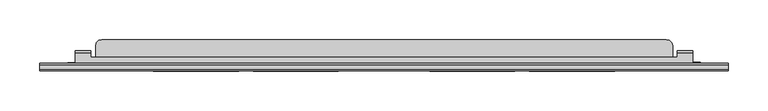
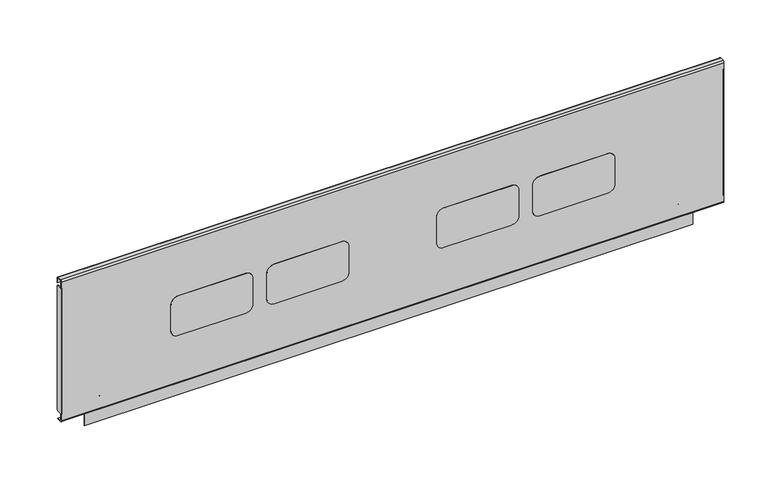
"""IFC4 building model written with IfcOpenShell, lengths in millimetres: furniture geometry."""

from ifc_helpers import new_model, si_unit, point, frame, frame_2d, origin, place, context, project, spatial, polyline, circle_curve, trimmed, segment, composite_curve, outline, extrude, source, transform, mapped, element, save
from ifc_brep_helpers import plane_surface, cylinder_surface, revolved_surface, advanced_brep


def furniture_425b233b(model_context):
    return source(origin(), model_context, "Body", "SolidModel", [
        advanced_brep(
        [(848.0385851, -189.0734003, 484.7619804), (848.0385851, -188.2141807, 484.7619804), (848.0385851, -188.2141807, 502.7217435), (848.0385851, -190.2544323, 504.7619951), (848.0385851, -205.2802599, 504.7619951), (848.0385851, -205.2802599, 503.9524031), (848.0385851, -190.6453154, 503.9524031), (848.0385851, -189.0734003, 502.380488), (66.3614013, -189.0734003, 484.7619804), (66.3614013, -189.0734003, 502.380488), (66.3614013, -190.6453154, 503.9524031), (66.3614013, -205.2802599, 503.9524031), (66.3614013, -205.2802599, 504.7619951), (66.3614013, -190.2544323, 504.7619951), (66.3614013, -188.2141807, 502.7217435), (66.3614013, -188.2141807, 484.7619804), (828.0385704, -189.0734003, 484.7619804), (828.0385704, -188.2141807, 484.7619804), (86.3614023, -188.2141807, 484.7619804), (86.3614023, -189.0734003, 484.7619804), (828.0385704, -188.2141807, 502.7217435), (86.3614023, -188.2141807, 502.7217435), (828.0385704, -190.2544323, 504.7619951), (86.3614023, -190.2544323, 504.7619951), (828.0385704, -196.3134, 504.7619951), (86.3614023, -196.3134, 504.7619951), (86.3614023, -190.6453154, 503.9524031), (86.3614023, -196.3134, 503.9524031), (828.0385704, -196.3134, 503.9524031), (828.0385704, -190.6453154, 503.9524031), (828.0385704, -189.0734003, 502.380488), (86.3614023, -189.0734003, 502.380488)],
        [
            (0, 1),
            (1, 2),
            (2, 3, circle_curve(frame((848.0385851, -190.2544323, 502.7217435), z_axis=(1.0, 0.0, 0.0), x_axis=(0.0, 1.0, 0.0)), 2.0402516)),
            (3, 4),
            (4, 5),
            (5, 6),
            (6, 7, circle_curve(frame((848.0385851, -190.6453154, 502.380488), z_axis=(-1.0, 0.0, 0.0), x_axis=(0.0, 1.0, 0.0)), 1.571915)),
            (7, 0),
            (8, 9),
            (9, 10, circle_curve(frame((66.3614013, -190.6453154, 502.380488), z_axis=(1.0, 0.0, 0.0), x_axis=(0.0, 1.0, 0.0)), 1.571915)),
            (10, 11),
            (11, 12),
            (12, 13),
            (13, 14, circle_curve(frame((66.3614013, -190.2544323, 502.7217435), z_axis=(-1.0, 0.0, 0.0), x_axis=(0.0, 1.0, 0.0)), 2.0402516)),
            (14, 15),
            (15, 8),
            (0, 16),
            (16, 17),
            (17, 1),
            (15, 18),
            (18, 19),
            (19, 8),
            (17, 20),
            (20, 2),
            (14, 21),
            (21, 18),
            (20, 22, circle_curve(frame((828.0385704, -190.2544323, 502.7217435), z_axis=(1.0, 0.0, 0.0), x_axis=(0.0, 1.0, 0.0)), 2.0402516)),
            (22, 3),
            (13, 23),
            (23, 21, circle_curve(frame((86.3614023, -190.2544323, 502.7217435), z_axis=(-1.0, 0.0, 0.0), x_axis=(0.0, 1.0, 0.0)), 2.0402516)),
            (22, 24),
            (24, 25),
            (25, 23),
            (12, 4),
            (11, 5),
            (10, 26),
            (26, 27),
            (27, 28),
            (28, 29),
            (29, 6),
            (29, 30, circle_curve(frame((828.0385704, -190.6453154, 502.380488), z_axis=(-1.0, 0.0, 0.0), x_axis=(0.0, 1.0, 0.0)), 1.571915)),
            (30, 7),
            (9, 31),
            (31, 26, circle_curve(frame((86.3614023, -190.6453154, 502.380488), z_axis=(1.0, 0.0, 0.0), x_axis=(0.0, 1.0, 0.0)), 1.571915)),
            (30, 16),
            (19, 31),
            (27, 25),
            (24, 28),
        ],
        [
            plane_surface(frame((848.0385851, -189.0734003, 484.7619804), z_axis=(1.0, 0.0, 0.0), x_axis=(0.0, 1.0, 0.0))),
            plane_surface(frame((66.3614013, -189.0734003, 484.7619804), z_axis=(-1.0, 0.0, 0.0), x_axis=(0.0, -1.0, 0.0))),
            plane_surface(frame((848.0385851, -189.0734003, 484.7619804), z_axis=(0.0, 0.0, -1.0), x_axis=(-1.0, 0.0, 0.0))),
            plane_surface(frame((848.0385851, -188.2141807, 484.7619804), z_axis=(0.0, 1.0, 0.0), x_axis=(-1.0, 0.0, 0.0))),
            cylinder_surface(frame((66.3614013, -190.2544323, 502.7217435), z_axis=(1.0, 0.0, 0.0), x_axis=(0.0, 1.0, 0.0)), 2.0402516),
            plane_surface(frame((848.0385851, -190.2544323, 504.7619951), z_axis=(0.0, 0.0, 1.0), x_axis=(-1.0, 0.0, 0.0))),
            plane_surface(frame((848.0385851, -205.2802599, 504.7619951), z_axis=(0.0, -1.0, 0.0), x_axis=(-1.0, 0.0, 0.0))),
            plane_surface(frame((848.0385851, -205.2802599, 503.9524031), z_axis=(0.0, 0.0, -1.0), x_axis=(-1.0, 0.0, 0.0))),
            revolved_surface(polyline([(828.0385704, -189.0734004, 502.380488), (848.0385851, -189.0734004, 502.380488)]), (66.3614013, -190.6453154, 502.380488), (-1.0, 0.0, 0.0)),
            revolved_surface(polyline([(66.3614013, -189.0734004, 502.380488), (86.3614023, -189.0734004, 502.380488)]), (66.3614013, -190.6453154, 502.380488), (-1.0, 0.0, 0.0)),
            plane_surface(frame((848.0385851, -189.0734003, 502.380488), z_axis=(0.0, -1.0, 0.0), x_axis=(-1.0, 0.0, 0.0))),
            plane_surface(frame((86.3614023, -196.3134, 504.7619951), z_axis=(0.0, 1.0, 0.0), x_axis=(0.0, 0.0, -1.0))),
            plane_surface(frame((828.0385704, -196.3134, 504.7619951), z_axis=(-1.0, 0.0, 0.0), x_axis=(0.0, 0.0, -1.0))),
            plane_surface(frame((86.3614023, -188.2141807, 504.7619951), z_axis=(1.0, 0.0, 0.0), x_axis=(0.0, 0.0, -1.0))),
        ],
        [
            (0, [[1, 2, 3, 4, 5, 6, 7, 8]]),
            (1, [[9, 10, 11, 12, 13, 14, 15, 16]]),
            (2, [[-1, 17, 18, 19]]),
            (2, [[-16, 20, 21, 22]]),
            (3, [[-2, -19, 23, 24]]),
            (3, [[-15, 25, 26, -20]]),
            (4, [[-3, -24, 27, 28]]),
            (4, [[-14, 29, 30, -25]]),
            (5, [[-4, -28, 31, 32, 33, -29, -13, 34]]),
            (6, [[-5, -34, -12, 35]]),
            (7, [[-6, -35, -11, 36, 37, 38, 39, 40]]),
            (8, [[-7, -40, 41, 42]]),
            (9, [[-10, 43, 44, -36]]),
            (10, [[-8, -42, 45, -17]]),
            (10, [[-9, -22, 46, -43]]),
            (11, [[47, -32, 48, -38]]),
            (12, [[-48, -31, -27, -23, -18, -45, -41, -39]]),
            (13, [[-47, -37, -44, -46, -21, -26, -30, -33]]),
        ],
    ),
        advanced_brep(
        [(857.188608, -202.8234, 481.0000008), (857.188608, -202.8234, 499.2323507), (857.188608, -202.3166887, 500.0149173), (857.188608, -202.3166887, 500.9515261), (857.188608, -203.7334, 499.164291), (857.188608, -203.7334, 481.0000008), (57.1999969, -203.7334, 481.0000008), (57.1999969, -203.7334, 499.164291), (57.1999969, -203.20254, 500.4554821), (57.1999969, -203.20254, 481.0000008), (66.3614013, -202.8234, 481.0000008), (66.3614013, -202.8234, 499.2323507), (66.3614013, -201.9657451, 500.0900056), (846.0385846, -201.9657451, 500.0900056), (846.0385846, -202.3166887, 500.0149173), (92.2113995, -181.7333994, 500.0900056), (93.2832, -177.7334005, 500.0900056), (96.2114006, -174.8051976, 500.0900056), (100.2114018, -173.7333994, 500.0900056), (814.2721778, -173.7333994, 500.0900056), (818.2721789, -174.8051976, 500.0900056), (821.2003795, -177.7334005, 500.0900056), (822.27218, -181.7333994, 500.0900056), (822.27218, -196.3134, 500.0900056), (846.0385846, -196.3134, 500.0900056), (66.3614013, -196.3134, 500.0900056), (92.2113995, -196.3134, 500.0900056), (100.2114018, -173.7333994, 500.9999791), (814.2721778, -173.7333994, 500.9999791), (93.2832, -177.7334005, 500.9999791), (92.2113995, -181.7333994, 500.9999791), (92.2113995, -196.3134, 500.9999791), (66.3614013, -196.3134, 500.9999791), (66.3614013, -201.8977118, 500.9999791), (846.0385846, -201.8977118, 500.9999791), (846.0385846, -196.3134, 500.9999791), (822.27218, -196.3134, 500.9999791), (822.27218, -181.7333994, 500.9999791), (821.2003795, -177.7334005, 500.9999791), (818.2721789, -174.8051976, 500.9999791), (96.2114006, -174.8051976, 500.9999791), (846.0385846, -202.3166887, 500.9515261), (66.3614013, -203.20254, 500.4554821), (66.3614013, -203.20254, 481.0000008)],
        [
            (0, 1),
            (1, 2, circle_curve(frame((857.188608, -201.9657451, 499.2323507), z_axis=(-1.0, 0.0, 0.0), x_axis=(0.0, 1.0, 0.0)), 0.8576549)),
            (2, 3),
            (3, 4, circle_curve(frame((857.188608, -201.8977118, 499.164291), z_axis=(1.0, 0.0, 0.0), x_axis=(0.0, 1.0, 0.0)), 1.8356882)),
            (4, 5),
            (5, 0),
            (6, 7),
            (7, 8, circle_curve(frame((57.1999969, -201.8977118, 499.164291), z_axis=(-1.0, 0.0, 0.0), x_axis=(0.0, 1.0, 0.0)), 1.8356882)),
            (8, 9),
            (9, 6),
            (0, 10),
            (10, 11),
            (11, 1),
            (11, 12, circle_curve(frame((66.3614013, -201.9657451, 499.2323507), z_axis=(-1.0, 0.0, 0.0), x_axis=(0.0, 1.0, 0.0)), 0.8576549)),
            (12, 13),
            (13, 14, circle_curve(frame((846.0385846, -201.9657451, 499.2323507), z_axis=(1.0, 0.0, 0.0), x_axis=(0.0, 1.0, 0.0)), 0.8576549)),
            (14, 2),
            (15, 16),
            (16, 17),
            (17, 18),
            (18, 19),
            (19, 20),
            (20, 21),
            (21, 22),
            (22, 23),
            (23, 24),
            (24, 13),
            (12, 25),
            (25, 26),
            (26, 15),
            (18, 27),
            (27, 28),
            (28, 19),
            (29, 30),
            (30, 31),
            (31, 32),
            (32, 33),
            (33, 34),
            (34, 35),
            (35, 36),
            (36, 37),
            (37, 38),
            (38, 39),
            (39, 28),
            (27, 40),
            (40, 29),
            (7, 4),
            (3, 41),
            (41, 34, circle_curve(frame((846.0385846, -201.8977118, 499.164291), z_axis=(-1.0, 0.0, 0.0), x_axis=(0.0, 1.0, 0.0)), 1.8356882)),
            (33, 42, circle_curve(frame((66.3614013, -201.8977118, 499.164291), z_axis=(1.0, 0.0, 0.0), x_axis=(0.0, 1.0, 0.0)), 1.8356882)),
            (42, 8),
            (6, 5),
            (9, 43),
            (43, 10),
            (15, 30),
            (29, 16),
            (40, 17),
            (42, 43),
            (32, 25),
            (31, 26),
            (21, 38),
            (37, 22),
            (20, 39),
            (14, 41),
            (24, 35),
            (23, 36),
        ],
        [
            plane_surface(frame((857.188608, -202.8234, 494.4355179), z_axis=(1.0, 0.0, 0.0), x_axis=(0.0, 0.0, 1.0))),
            plane_surface(frame((57.1999969, -202.8234, 494.4355179), z_axis=(-1.0, 0.0, 0.0), x_axis=(0.0, 0.0, -1.0))),
            plane_surface(frame((857.188608, -202.8234, 481.0000008), z_axis=(0.0, 1.0, 0.0), x_axis=(-1.0, 0.0, 0.0))),
            revolved_surface(polyline([(66.3614013, -201.1080902, 499.2323507), (857.188608, -201.1080902, 499.2323507)]), (57.1999969, -201.9657451, 499.2323507), (-1.0, 0.0, 0.0)),
            plane_surface(frame((857.188608, -201.9657451, 500.0900056), z_axis=(0.0, 0.0, -1.0), x_axis=(-1.0, 0.0, 0.0))),
            plane_surface(frame((857.188608, -173.7333994, 500.0900056), z_axis=(0.0, 1.0, 0.0), x_axis=(-1.0, 0.0, 0.0))),
            plane_surface(frame((857.188608, -173.7333994, 500.9999791), z_axis=(0.0, 0.0, 1.0), x_axis=(-1.0, 0.0, 0.0))),
            cylinder_surface(frame((57.1999969, -201.8977118, 499.164291), z_axis=(1.0, 0.0, 0.0), x_axis=(0.0, 1.0, 0.0)), 1.8356882),
            plane_surface(frame((857.188608, -203.7334, 499.164291), z_axis=(0.0, -1.0, 0.0), x_axis=(-1.0, 0.0, 0.0))),
            plane_surface(frame((857.188608, -203.7334, 481.0000008), z_axis=(0.0, 0.0, -1.0), x_axis=(-1.0, 0.0, 0.0))),
            plane_surface(frame((92.2113995, -181.7333994, 533.1392388), z_axis=(-0.9659255828324517, 0.2588199536932742, 0.0), x_axis=(0.0, 0.0, -1.0))),
            plane_surface(frame((93.2832, -177.7334005, 533.1392388), z_axis=(-0.707107055381215, 0.7071065069917737, 0.0), x_axis=(0.0, 0.0, -1.0))),
            plane_surface(frame((96.2114006, -174.8051976, 533.1392388), z_axis=(-0.25881930494190625, 0.9659257566652774, 0.0), x_axis=(0.0, 0.0, -1.0))),
            plane_surface(frame((57.2114011, -203.20254, 533.1392388), z_axis=(0.0, 1.0, 0.0), x_axis=(0.0, 0.0, -1.0))),
            plane_surface(frame((66.3614013, -203.20254, 533.1392388), z_axis=(-1.0, 0.0, 0.0), x_axis=(0.0, 0.0, -1.0))),
            plane_surface(frame((66.3614013, -196.3134, 533.1392388), z_axis=(0.0, 1.0, 0.0), x_axis=(0.0, 0.0, -1.0))),
            plane_surface(frame((92.2113995, -196.3134, 533.1392388), z_axis=(-1.0, 0.0, 0.0), x_axis=(0.0, 0.0, -1.0))),
            plane_surface(frame((821.2003795, -177.7334005, 531.699196), z_axis=(0.9659255828324518, 0.258819953693274, 0.0), x_axis=(0.0, 0.0, -1.0))),
            plane_surface(frame((818.2721789, -174.8051976, 531.699196), z_axis=(0.707107055381215, 0.7071065069917737, 0.0), x_axis=(0.0, 0.0, -1.0))),
            plane_surface(frame((814.2721778, -173.7333994, 531.699196), z_axis=(0.25881930494190625, 0.9659257566652774, 0.0), x_axis=(0.0, 0.0, -1.0))),
            plane_surface(frame((846.0385846, -202.3166887, 531.699196), z_axis=(0.0, 1.0, 0.0), x_axis=(0.0, 0.0, -1.0))),
            plane_surface(frame((846.0385846, -196.3134, 531.699196), z_axis=(1.0, 0.0, 0.0), x_axis=(0.0, 0.0, -1.0))),
            plane_surface(frame((822.27218, -196.3134, 531.699196), z_axis=(0.0, 1.0, 0.0), x_axis=(0.0, 0.0, -1.0))),
            plane_surface(frame((822.27218, -181.7333994, 531.699196), z_axis=(1.0, 0.0, 0.0), x_axis=(0.0, 0.0, -1.0))),
        ],
        [
            (0, [[1, 2, 3, 4, 5, 6]]),
            (1, [[7, 8, 9, 10]]),
            (2, [[-1, 11, 12, 13]]),
            (3, [[-13, 14, 15, 16, 17, -2]]),
            (4, [[18, 19, 20, 21, 22, 23, 24, 25, 26, 27, -15, 28, 29, 30]]),
            (5, [[31, 32, 33, -21]]),
            (6, [[34, 35, 36, 37, 38, 39, 40, 41, 42, 43, 44, -32, 45, 46]]),
            (7, [[47, -4, 48, 49, -38, 50, 51, -8]]),
            (8, [[-5, -47, -7, 52]]),
            (9, [[-6, -52, -10, 53, 54, -11]]),
            (10, [[55, -34, 56, -18]]),
            (11, [[-56, -46, 57, -19]]),
            (12, [[-57, -45, -31, -20]]),
            (13, [[58, -53, -9, -51]]),
            (14, [[-58, -50, -37, 59, -28, -14, -12, -54]]),
            (15, [[-59, -36, 60, -29]]),
            (16, [[-55, -30, -60, -35]]),
            (17, [[61, -42, 62, -24]]),
            (18, [[-61, -23, 63, -43]]),
            (19, [[-63, -22, -33, -44]]),
            (20, [[64, -48, -3, -17]]),
            (21, [[-64, -16, -27, 65, -39, -49]]),
            (22, [[-65, -26, 66, -40]]),
            (23, [[-66, -25, -62, -41]]),
        ],
    ),
        extrude(outline(composite_curve([segment(polyline([(616.0389877, 165.358802), (580.6970512, 165.358802)]), True, "CONTINUOUS"), segment(trimmed(circle_curve(frame_2d((580.6970512, 174.894023)), 9.535221), [point((580.6970512, 165.358802))], [point((571.1618302, 174.894023))], False, "CARTESIAN"), True, "CONTINUOUS"), segment(polyline([(571.1618302, 174.894023), (571.1618302, 263.5669938)]), True, "CONTINUOUS"), segment(trimmed(circle_curve(frame_2d((580.9036446, 263.5669938)), 9.7418143), [point((571.1618302, 263.5669938))], [point((580.9036446, 273.3088081))], False, "CARTESIAN"), True, "CONTINUOUS"), segment(polyline([(580.9036446, 273.3088081), (616.7203082, 273.3088081)]), True, "CONTINUOUS"), segment(trimmed(circle_curve(frame_2d((616.7203082, 264.0032762)), 9.3055319), [point((616.7203082, 273.3088081))], [point((626.0258401, 264.0032762))], False, "CARTESIAN"), True, "CONTINUOUS"), segment(polyline([(626.0258401, 264.0032762), (626.0258401, 175.3456544)]), True, "CONTINUOUS"), segment(trimmed(circle_curve(frame_2d((616.0389877, 175.3456544)), 9.9868524), [point((626.0258401, 175.3456544))], [point((616.0389877, 165.358802))], False, "CARTESIAN"), True, "CONTINUOUS")], self_intersect=False)), frame((0.0, -213.6020823, 0.0), z_axis=(0.0, 1.0, 0.0), x_axis=(0.0, 0.0, 1.0)), (0.0, 0.0, 1.0), 0.2886826),
        extrude(outline(composite_curve([segment(polyline([(616.0389877, 291.6476051), (580.6970512, 291.6476051)]), True, "CONTINUOUS"), segment(trimmed(circle_curve(frame_2d((580.6970512, 301.1828261)), 9.535221), [point((580.6970512, 291.6476051))], [point((571.1618302, 301.1828261))], False, "CARTESIAN"), True, "CONTINUOUS"), segment(polyline([(571.1618302, 301.1828261), (571.1618302, 389.8557787)]), True, "CONTINUOUS"), segment(trimmed(circle_curve(frame_2d((580.9036446, 389.8557787)), 9.7418143), [point((571.1618302, 389.8557787))], [point((580.9036446, 399.597593))], False, "CARTESIAN"), True, "CONTINUOUS"), segment(polyline([(580.9036446, 399.597593), (616.7203082, 399.597593)]), True, "CONTINUOUS"), segment(trimmed(circle_curve(frame_2d((616.7203082, 390.2920611)), 9.3055319), [point((616.7203082, 399.597593))], [point((626.0258401, 390.2920611))], False, "CARTESIAN"), True, "CONTINUOUS"), segment(polyline([(626.0258401, 390.2920611), (626.0258401, 301.6344575)]), True, "CONTINUOUS"), segment(trimmed(circle_curve(frame_2d((616.0389877, 301.6344575)), 9.9868524), [point((626.0258401, 301.6344575))], [point((616.0389877, 291.6476051))], False, "CARTESIAN"), True, "CONTINUOUS")], self_intersect=False)), frame((0.0, -213.6020823, 0.0), z_axis=(0.0, 1.0, 0.0), x_axis=(0.0, 0.0, 1.0)), (0.0, 0.0, 1.0), 0.2886826),
        extrude(outline(composite_curve([segment(polyline([(616.0389877, 514.9851962), (580.6970512, 514.9851962)]), True, "CONTINUOUS"), segment(trimmed(circle_curve(frame_2d((580.6970512, 524.5204172)), 9.535221), [point((580.6970512, 514.9851962))], [point((571.1618302, 524.5204172))], False, "CARTESIAN"), True, "CONTINUOUS"), segment(polyline([(571.1618302, 524.5204172), (571.1618302, 613.1933698)]), True, "CONTINUOUS"), segment(trimmed(circle_curve(frame_2d((580.9036446, 613.1933698)), 9.7418143), [point((571.1618302, 613.1933698))], [point((580.9036446, 622.9351841))], False, "CARTESIAN"), True, "CONTINUOUS"), segment(polyline([(580.9036446, 622.9351841), (616.7203082, 622.9351841)]), True, "CONTINUOUS"), segment(trimmed(circle_curve(frame_2d((616.7203082, 613.6296522)), 9.3055319), [point((616.7203082, 622.9351841))], [point((626.0258401, 613.6296522))], False, "CARTESIAN"), True, "CONTINUOUS"), segment(polyline([(626.0258401, 613.6296522), (626.0258401, 524.9720486)]), True, "CONTINUOUS"), segment(trimmed(circle_curve(frame_2d((616.0389877, 524.9720486)), 9.9868524), [point((626.0258401, 524.9720486))], [point((616.0389877, 514.9851962))], False, "CARTESIAN"), True, "CONTINUOUS")], self_intersect=False)), frame((0.0, -213.6020823, 0.0), z_axis=(0.0, 1.0, 0.0), x_axis=(0.0, 0.0, 1.0)), (0.0, 0.0, 1.0), 0.2886826),
        extrude(outline(composite_curve([segment(polyline([(616.0389877, 641.2739811), (580.6970512, 641.2739811)]), True, "CONTINUOUS"), segment(trimmed(circle_curve(frame_2d((580.6970512, 650.8092021)), 9.535221), [point((580.6970512, 641.2739811))], [point((571.1618302, 650.8092021))], False, "CARTESIAN"), True, "CONTINUOUS"), segment(polyline([(571.1618302, 650.8092021), (571.1618302, 739.4821729)]), True, "CONTINUOUS"), segment(trimmed(circle_curve(frame_2d((580.9036446, 739.4821729)), 9.7418143), [point((571.1618302, 739.4821729))], [point((580.9036446, 749.2239872))], False, "CARTESIAN"), True, "CONTINUOUS"), segment(polyline([(580.9036446, 749.2239872), (616.7203082, 749.2239872)]), True, "CONTINUOUS"), segment(trimmed(circle_curve(frame_2d((616.7203082, 739.9184553)), 9.3055319), [point((616.7203082, 749.2239872))], [point((626.0258401, 739.9184553))], False, "CARTESIAN"), True, "CONTINUOUS"), segment(polyline([(626.0258401, 739.9184553), (626.0258401, 651.2608335)]), True, "CONTINUOUS"), segment(trimmed(circle_curve(frame_2d((616.0389877, 651.2608335)), 9.9868524), [point((626.0258401, 651.2608335))], [point((616.0389877, 641.2739811))], False, "CARTESIAN"), True, "CONTINUOUS")], self_intersect=False)), frame((0.0, -213.6020823, 0.0), z_axis=(0.0, 1.0, 0.0), x_axis=(0.0, 0.0, 1.0)), (0.0, 0.0, 1.0), 0.2886826),
        extrude(outline(composite_curve([segment(trimmed(circle_curve(frame_2d((-206.9291712, 686.8262094)), 3.1957713), [point((-206.9291712, 690.0219807))], [point((-203.7334, 686.8262094))], False, "CARTESIAN"), True, "CONTINUOUS"), segment(polyline([(-203.7334, 686.8262094), (-203.7334, 518.3179711)]), True, "CONTINUOUS"), segment(trimmed(circle_curve(frame_2d((-207.0693602, 518.3179711)), 3.3359602), [point((-203.7334, 518.3179711))], [point((-207.0693602, 514.9820108))], False, "CARTESIAN"), True, "CONTINUOUS"), segment(polyline([(-207.0693602, 514.9820108), (-213.3133997, 514.9820108), (-213.3133997, 690.0219807), (-206.9291712, 690.0219807)]), True, "CONTINUOUS")], self_intersect=False)), frame((892.2225161, 0.0, 0.0), z_axis=(1.0, 0.0, 0.0), x_axis=(0.0, 1.0, 0.0)), (0.0, 0.0, 1.0), 0.8160839),
        extrude(outline(composite_curve([segment(trimmed(circle_curve(frame_2d((-206.9291712, 686.8262094)), 3.1957713), [point((-206.9291712, 690.0219807))], [point((-203.7334, 686.8262094))], False, "CARTESIAN"), True, "CONTINUOUS"), segment(polyline([(-203.7334, 686.8262094), (-203.7334, 518.3179711)]), True, "CONTINUOUS"), segment(trimmed(circle_curve(frame_2d((-207.0693602, 518.3179711)), 3.3359602), [point((-203.7334, 518.3179711))], [point((-207.0693602, 514.9820108))], False, "CARTESIAN"), True, "CONTINUOUS"), segment(polyline([(-207.0693602, 514.9820108), (-213.3133997, 514.9820108), (-213.3133997, 690.0219807), (-206.9291712, 690.0219807)]), True, "CONTINUOUS")], self_intersect=False)), frame((21.3614, 0.0, 0.0), z_axis=(1.0, 0.0, 0.0), x_axis=(0.0, 1.0, 0.0)), (0.0, 0.0, 1.0), 0.8160953),
        extrude(outline(composite_curve([segment(trimmed(circle_curve(frame_2d((-211.2812247, 505.9349516)), 1.1729565), [point((-212.4541812, 505.9349516))], [point((-211.2812247, 504.7619951))], True, "CARTESIAN"), True, "CONTINUOUS"), segment(polyline([(-211.2812247, 504.7619951), (-205.2802599, 504.7619951), (-205.2802599, 503.9524031), (-211.0210029, 503.9524031)]), True, "CONTINUOUS"), segment(trimmed(circle_curve(frame_2d((-211.0210029, 506.2447998)), 2.2923967), [point((-211.0210029, 503.9524031))], [point((-213.3133997, 506.2447998))], False, "CARTESIAN"), True, "CONTINUOUS"), segment(polyline([(-213.3133997, 506.2447998), (-213.3133997, 698.9356498)]), True, "CONTINUOUS"), segment(trimmed(circle_curve(frame_2d((-211.2470704, 698.9356498)), 2.0663293), [point((-213.3133997, 698.9356498))], [point((-211.2470704, 701.0019791))], False, "CARTESIAN"), True, "CONTINUOUS"), segment(polyline([(-211.2470704, 701.0019791), (-205.8421502, 701.0019791)]), True, "CONTINUOUS"), segment(trimmed(circle_curve(frame_2d((-205.8421502, 698.8591335)), 2.1428456), [point((-205.8421502, 701.0019791))], [point((-203.6993046, 698.8591335))], False, "CARTESIAN"), True, "CONTINUOUS"), segment(polyline([(-203.6993046, 698.8591335), (-203.6993046, 693.0032856), (-204.4934, 693.0032856), (-204.4934, 698.9068456)]), True, "CONTINUOUS"), segment(trimmed(circle_curve(frame_2d((-205.8285508, 698.9068456)), 1.3351508), [point((-204.4934, 698.9068456))], [point((-205.8285508, 700.2419964))], True, "CARTESIAN"), True, "CONTINUOUS"), segment(polyline([(-205.8285508, 700.2419964), (-211.1847197, 700.2419964)]), True, "CONTINUOUS"), segment(trimmed(circle_curve(frame_2d((-211.1847197, 698.9725349)), 1.2694615), [point((-211.1847197, 700.2419964))], [point((-212.4541812, 698.9725349))], True, "CARTESIAN"), True, "CONTINUOUS"), segment(polyline([(-212.4541812, 698.9725349), (-212.4541812, 505.9349516)]), True, "CONTINUOUS")], self_intersect=False)), frame((21.3614, 0.0, 0.0), z_axis=(1.0, 0.0, 0.0), x_axis=(0.0, 1.0, 0.0)), (0.0, 0.0, 1.0), 871.6772),
    ])


if __name__ == "__main__":
    model = new_model("IFC4")
    model_context = context("Model", 3, world=origin())
    ifc_project = project(units=[si_unit("LENGTHUNIT", "METRE", prefix="MILLI")], contexts=[model_context])
    site = spatial("IfcSite", under=ifc_project)
    building = spatial("IfcBuilding", under=site)
    placement = place(None, origin())
    furniture_shape = furniture_425b233b(model_context)
    element("IfcFurniture", 1, at=placement, inside=building, context=model_context, shape_type="MappedRepresentation", body=[
        mapped(furniture_shape, transform((0.0, 0.0, 0.0), x_axis=(1.0, 0.0, 0.0), y_axis=(0.0, 1.0, 0.0), z_axis=(0.0, 0.0, 1.0))),
    ])
    save(model, "model.ifc")
